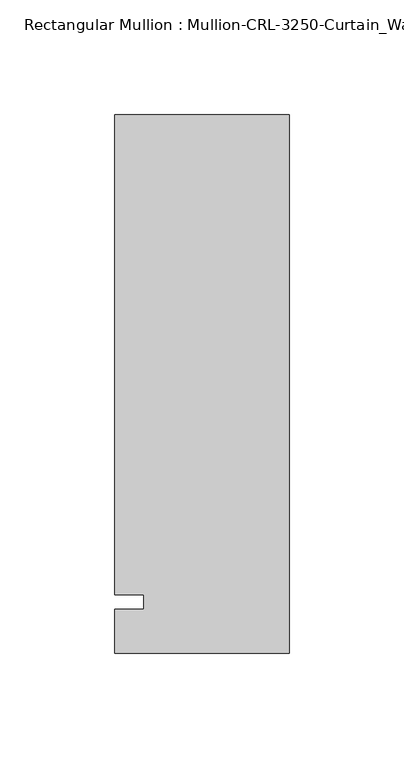
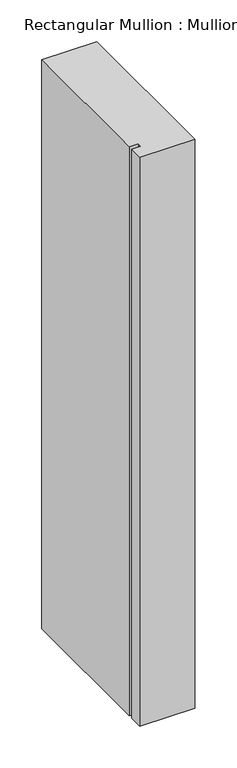
"""IFC4 building model written with IfcOpenShell, lengths in millimetres: member geometry."""

from ifc_helpers import new_model, si_unit, frame, origin, place, context, project, spatial, polyline, outline, extrude, source, transform, mapped, element, save


def member_ba4b8970(model_context):
    return source(origin(), model_context, "Body", "SweptSolid", [
        extrude(outline(polyline([(0.0, -22.2254168), (-76.199997, -22.2254168), (-76.199997, -3.175), (-63.499997, -3.175), (-63.499997, 3.175), (-76.199997, 3.175), (-76.199997, 212.7246139), (0.0, 212.7246139), (0.0, -22.2254168)])), frame((0.0, 0.0, -832.2166645), z_axis=(0.0, 0.0, 1.0), x_axis=(1.0, 0.0, 0.0)), (0.0, 0.0, 1.0), 832.2166645),
    ])


if __name__ == "__main__":
    model = new_model("IFC4")
    model_context = context("Model", 3, world=origin())
    ifc_project = project(units=[si_unit("LENGTHUNIT", "METRE", prefix="MILLI")], contexts=[model_context])
    site = spatial("IfcSite", under=ifc_project)
    building = spatial("IfcBuilding", under=site)
    placement = place(None, origin())
    member_shape = member_ba4b8970(model_context)
    element("IfcMember", 1, ObjectType="Rectangular Mullion : Mullion-CRL-3250-Curtain_Wall-Head-8\"", at=placement, inside=building, context=model_context, shape_type="MappedRepresentation", body=[
        mapped(member_shape, transform((0.0, 0.0, 0.0), x_axis=(1.0, 0.0, 0.0), y_axis=(0.0, 1.0, 0.0), z_axis=(0.0, 0.0, 1.0))),
    ])
    save(model, "model.ifc")
